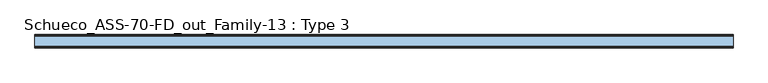
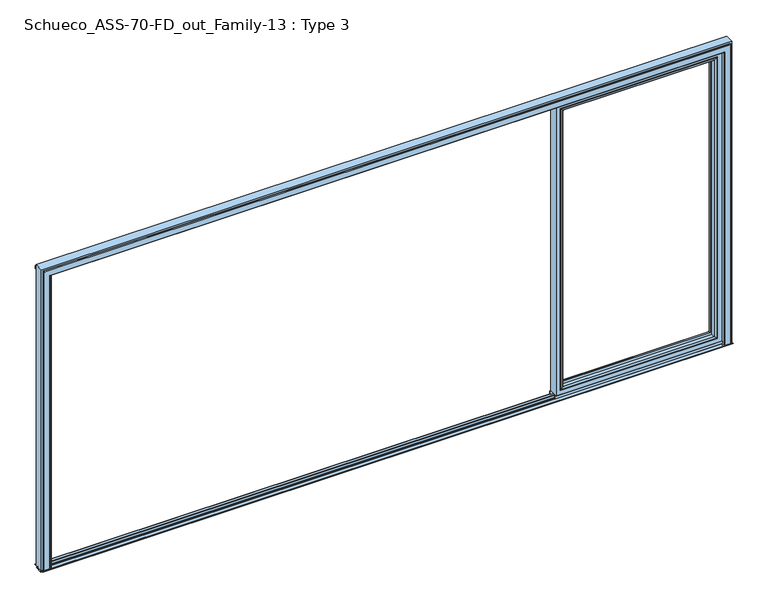
"""IFC4 building model written with IfcOpenShell, lengths in millimetres: window geometry, Schueco_ASS-70-FD_out_Family-13 : Type 3."""

from ifc_helpers import new_model, si_unit, point, frame, frame_2d, origin, place, context, project, spatial, polyline, circle_curve, ellipse_curve, trimmed, segment, composite_curve, outline, extrude, source, transform, mapped, element, save
from ifc_brep_helpers import plane_surface, cylinder_surface, advanced_brep


def schueco_ass_70_fd_out_family_13_type_3_62850d9b(model_context):
    return source(origin(), model_context, "Body", "SolidModel", [
        advanced_brep(
        [(1324.7245728, -64.5552044, 2283.0004272), (1324.7245728, -64.5552044, 91.4995728), (1324.7245728, -37.9928974, 91.4995728), (1324.7245728, -37.9928974, 2283.0004272), (1302.725, -37.9928974, 2305.0), (2480.8, -37.9928974, 2305.0), (2480.8, -37.9928974, 69.5), (1302.725, -37.9928974, 69.5), (2458.8004272, -37.9928974, 2283.0004272), (2458.8004272, -37.9928974, 91.4995728), (2458.8004272, -64.5552044, 91.4995728), (1324.0150293, -65.8045072, 2283.7099707), (1324.0150293, -65.8045072, 90.7900293), (2459.5099707, -65.8045072, 90.7900293), (1308.724939, -70.0, 2299.000061), (1308.724939, -70.0, 75.499939), (2474.800061, -70.0, 75.499939), (2480.8, -70.0, 2305.0), (1302.725, -70.0, 2305.0), (1302.725, -70.0, 69.5), (2480.8, -70.0, 69.5), (2474.800061, -70.0, 2299.000061), (2458.8004272, -64.5552044, 2283.0004272), (2459.5099707, -65.8045072, 2283.7099707)],
        [
            (0, 1),
            (1, 2),
            (2, 3),
            (3, 0),
            (4, 5),
            (5, 6),
            (6, 7),
            (7, 4),
            (8, 3),
            (2, 9),
            (9, 8),
            (1, 10),
            (10, 9),
            (11, 12),
            (12, 1, ellipse_curve(frame((1323.2699688, -64.5552044, 90.0449688), z_axis=(-0.7071067811865475, 0.0, 0.7071067811865475), x_axis=(0.7071067811865474, 0.0, 0.7071067811865476)), 2.0571207, 1.454604)),
            (0, 11, ellipse_curve(frame((1323.2699688, -64.5552044, 2284.4550312), z_axis=(-0.7071067811865475, 0.0, -0.7071067811865475), x_axis=(-0.7071067811865474, 0.0, 0.7071067811865476)), 2.0571207, 1.454604)),
            (12, 13),
            (13, 10, ellipse_curve(frame((2460.2550312, -64.5552044, 90.0449688), z_axis=(-0.7071067811865475, 0.0, -0.7071067811865475), x_axis=(-0.7071067811865476, 0.0, 0.7071067811865474)), 2.0571207, 1.454604)),
            (14, 15),
            (15, 12, ellipse_curve(frame((1308.7888746, -40.2735922, 75.5638746), z_axis=(-0.7071067811865475, 0.0, 0.7071067811865475), x_axis=(0.7071067811865474, 0.0, 0.7071067811865476)), 42.0395863, 29.7264765)),
            (11, 14, ellipse_curve(frame((1308.7888746, -40.2735922, 2298.9361254), z_axis=(-0.7071067811865475, 0.0, -0.7071067811865475), x_axis=(-0.7071067811865474, 0.0, 0.7071067811865476)), 42.0395863, 29.7264765)),
            (15, 16),
            (16, 13, ellipse_curve(frame((2474.7361254, -40.2735922, 75.5638746), z_axis=(-0.7071067811865475, 0.0, -0.7071067811865475), x_axis=(-0.7071067811865476, 0.0, 0.7071067811865474)), 42.0395863, 29.7264765)),
            (17, 18),
            (18, 19),
            (19, 20),
            (20, 17),
            (14, 21),
            (21, 16),
            (7, 19),
            (18, 4),
            (6, 20),
            (10, 22),
            (22, 8),
            (13, 23),
            (23, 22, ellipse_curve(frame((2460.2550312, -64.5552044, 2284.4550312), z_axis=(0.7071067811865475, 0.0, -0.7071067811865475), x_axis=(-0.7071067811865474, 0.0, -0.7071067811865476)), 2.0571207, 1.454604)),
            (21, 23, ellipse_curve(frame((2474.7361254, -40.2735922, 2298.9361254), z_axis=(0.7071067811865475, 0.0, -0.7071067811865475), x_axis=(-0.7071067811865474, 0.0, -0.7071067811865476)), 42.0395863, 29.7264765)),
            (5, 17),
            (22, 0),
            (23, 11),
        ],
        [
            plane_surface(frame((1324.7245728, -37.9928974, 2283.0004272), z_axis=(1.0, 0.0, 0.0), x_axis=(0.0, 0.0, -1.0))),
            plane_surface(frame((2480.8, -37.9928974, 69.5), z_axis=(0.0, 1.0, 0.0), x_axis=(0.0, 0.0, 1.0))),
            plane_surface(frame((1324.7245728, -37.9928974, 91.4995728), z_axis=(0.0, 0.0, 1.0), x_axis=(1.0, 0.0, 0.0))),
            cylinder_surface(frame((1323.2699688, -64.5552044, 2283.0004272), z_axis=(0.0, 0.0, 1.0), x_axis=(-1.0, 0.0, 0.0)), 1.454604),
            cylinder_surface(frame((1324.7245728, -64.5552044, 90.0449688), z_axis=(-1.0, 0.0, 0.0), x_axis=(0.0, 0.0, -1.0)), 1.454604),
            cylinder_surface(frame((1308.7888746, -40.2735922, 2283.0004272), z_axis=(0.0, 0.0, 1.0), x_axis=(-1.0, 0.0, 0.0)), 29.7264765),
            cylinder_surface(frame((1324.7245728, -40.2735922, 75.5638746), z_axis=(-1.0, 0.0, 0.0), x_axis=(0.0, 0.0, -1.0)), 29.7264765),
            plane_surface(frame((2474.800061, -70.0, 75.499939), z_axis=(0.0, -1.0, 0.0), x_axis=(0.0, 0.0, 1.0))),
            plane_surface(frame((1302.725, -70.0, 2305.0), z_axis=(-1.0, 0.0, 0.0), x_axis=(0.0, 0.0, -1.0))),
            plane_surface(frame((1302.725, -70.0, 69.5), z_axis=(0.0, 0.0, -1.0), x_axis=(1.0, 0.0, 0.0))),
            plane_surface(frame((2458.8004272, -37.9928974, 91.4995728), z_axis=(-1.0, 0.0, 0.0), x_axis=(0.0, 0.0, 1.0))),
            cylinder_surface(frame((2460.2550312, -64.5552044, 91.4995728), z_axis=(0.0, 0.0, -1.0), x_axis=(1.0, 0.0, 0.0)), 1.454604),
            cylinder_surface(frame((2474.7361254, -40.2735922, 91.4995728), z_axis=(0.0, 0.0, -1.0), x_axis=(1.0, 0.0, 0.0)), 29.7264765),
            plane_surface(frame((2480.8, -70.0, 69.5), z_axis=(1.0, 0.0, 0.0), x_axis=(0.0, 0.0, 1.0))),
            plane_surface(frame((2458.8004272, -37.9928974, 2283.0004272), z_axis=(0.0, 0.0, -1.0), x_axis=(-1.0, 0.0, 0.0))),
            cylinder_surface(frame((2458.8004272, -64.5552044, 2284.4550312), z_axis=(1.0, 0.0, 0.0), x_axis=(0.0, 0.0, 1.0)), 1.454604),
            cylinder_surface(frame((2458.8004272, -40.2735922, 2298.9361254), z_axis=(1.0, 0.0, 0.0), x_axis=(0.0, 0.0, 1.0)), 29.7264765),
            plane_surface(frame((2480.8, -70.0, 2305.0), z_axis=(0.0, 0.0, 1.0), x_axis=(-1.0, 0.0, 0.0))),
        ],
        [
            (0, [[1, 2, 3, 4]]),
            (1, [[5, 6, 7, 8], [9, -3, 10, 11]]),
            (2, [[12, 13, -10, -2]]),
            (3, [[14, 15, -1, 16]]),
            (4, [[17, 18, -12, -15]]),
            (5, [[19, 20, -14, 21]]),
            (6, [[22, 23, -17, -20]]),
            (7, [[24, 25, 26, 27], [28, 29, -22, -19]]),
            (8, [[-8, 30, -25, 31]]),
            (9, [[-7, 32, -26, -30]]),
            (10, [[33, 34, -11, -13]]),
            (11, [[35, 36, -33, -18]]),
            (12, [[-29, 37, -35, -23]]),
            (13, [[-6, 38, -27, -32]]),
            (14, [[39, -4, -9, -34]]),
            (15, [[40, -16, -39, -36]]),
            (16, [[-28, -21, -40, -37]]),
            (17, [[-5, -31, -24, -38]]),
        ],
    ),
        advanced_brep(
        [(2512.8, -70.0, 2337.0), (2512.8, -70.0, 37.5), (2512.8, 0.0, 37.5), (2512.8, 0.0, 2337.0), (1270.725, -70.0, 37.5), (1270.725, 0.0, 37.5), (1270.725, 0.0, 2337.0), (1320.2241901, 0.0, 86.9991901), (2463.3008099, 0.0, 86.9991901), (2463.3008099, 0.0, 2287.5008099), (1320.2241901, 0.0, 2287.5008099), (1270.725, -70.0, 2337.0), (2480.8, -70.0, 69.5), (1302.725, -70.0, 69.5), (1302.725, -70.0, 2305.0), (2480.8, -70.0, 2305.0), (2480.8, -13.999939, 2305.0), (2480.8, -13.999939, 69.5), (1302.725, -13.999939, 69.5), (1302.725, -13.999939, 2305.0), (2458.8004272, -13.999939, 91.4995728), (1324.7245728, -13.999939, 91.4995728), (1324.7245728, -13.999939, 2283.0004272), (2458.8004272, -13.999939, 2283.0004272), (2458.8004272, -4.5004435, 2283.0004272), (2458.8004272, -4.5004435, 91.4995728), (1324.7245728, -4.5004435, 91.4995728), (1324.7245728, -4.5004435, 2283.0004272)],
        [
            (0, 1),
            (1, 2),
            (2, 3),
            (3, 0),
            (1, 4),
            (4, 5),
            (5, 2),
            (5, 6),
            (6, 3),
            (7, 8),
            (8, 9),
            (9, 10),
            (10, 7),
            (4, 11),
            (11, 6),
            (0, 11),
            (12, 13),
            (13, 14),
            (14, 15),
            (15, 12),
            (16, 17),
            (17, 12),
            (15, 16),
            (17, 18),
            (18, 13),
            (18, 19),
            (19, 14),
            (16, 19),
            (20, 21),
            (21, 22),
            (22, 23),
            (23, 20),
            (24, 25),
            (25, 20),
            (23, 24),
            (25, 26),
            (26, 21),
            (26, 27),
            (27, 22),
            (7, 26, ellipse_curve(frame((1320.2241901, -4.5004435, 86.9991901), z_axis=(0.7071067811865475, 0.0, -0.7071067811865475), x_axis=(0.7071067811865476, 0.0, 0.7071067811865474)), 6.3645023, 4.5003827)),
            (25, 8, ellipse_curve(frame((2463.3008099, -4.5004435, 86.9991901), z_axis=(-0.7071067811865475, 0.0, -0.7071067811865475), x_axis=(0.7071067811865476, 0.0, -0.7071067811865474)), 6.3645023, 4.5003827)),
            (24, 9, ellipse_curve(frame((2463.3008099, -4.5004435, 2287.5008099), z_axis=(0.7071067811865475, 0.0, -0.7071067811865475), x_axis=(0.7071067811865474, 0.0, 0.7071067811865476)), 6.3645023, 4.5003827)),
            (10, 27, ellipse_curve(frame((1320.2241901, -4.5004435, 2287.5008099), z_axis=(-0.7071067811865475, 0.0, -0.7071067811865475), x_axis=(0.7071067811865474, 0.0, -0.7071067811865476)), 6.3645023, 4.5003827)),
            (27, 24),
        ],
        [
            plane_surface(frame((2512.8, 0.0, 2337.0), z_axis=(1.0, 0.0, 0.0), x_axis=(0.0, 0.0, -1.0))),
            plane_surface(frame((2512.8, 0.0, 37.5), z_axis=(0.0, 0.0, -1.0), x_axis=(-1.0, 0.0, 0.0))),
            plane_surface(frame((2463.3008099, 0.0, 2287.5008099), z_axis=(0.0, 1.0, 0.0), x_axis=(0.0, 0.0, -1.0))),
            plane_surface(frame((1270.725, 0.0, 37.5), z_axis=(-1.0, 0.0, 0.0), x_axis=(0.0, 0.0, 1.0))),
            plane_surface(frame((2512.8, -70.0, 2337.0), z_axis=(0.0, -1.0, 0.0), x_axis=(0.0, 0.0, -1.0))),
            plane_surface(frame((2480.8, -70.0, 2305.0), z_axis=(-1.0, 0.0, 0.0), x_axis=(0.0, 0.0, -1.0))),
            plane_surface(frame((2480.8, -70.0, 69.5), z_axis=(0.0, 0.0, 1.0), x_axis=(-1.0, 0.0, 0.0))),
            plane_surface(frame((1302.725, -70.0, 69.5), z_axis=(1.0, 0.0, 0.0), x_axis=(0.0, 0.0, 1.0))),
            plane_surface(frame((2480.8, -13.999939, 2305.0), z_axis=(0.0, -1.0, 0.0), x_axis=(0.0, 0.0, -1.0))),
            plane_surface(frame((2458.8004272, -13.999939, 2283.0004272), z_axis=(-1.0, 0.0, 0.0), x_axis=(0.0, 0.0, -1.0))),
            plane_surface(frame((2458.8004272, -13.999939, 91.4995728), z_axis=(0.0, 0.0, 1.0), x_axis=(-1.0, 0.0, 0.0))),
            plane_surface(frame((1324.7245728, -13.999939, 91.4995728), z_axis=(1.0, 0.0, 0.0), x_axis=(0.0, 0.0, 1.0))),
            cylinder_surface(frame((2518.8, -4.5004435, 86.9991901), z_axis=(1.0, 0.0, 0.0), x_axis=(0.0, -1.0, 0.0)), 4.5003827),
            cylinder_surface(frame((2463.3008099, -4.5004435, 2343.0), z_axis=(0.0, 0.0, 1.0), x_axis=(0.0, -1.0, 0.0)), 4.5003827),
            cylinder_surface(frame((1320.2241901, -4.5004435, 31.5), z_axis=(0.0, 0.0, -1.0), x_axis=(0.0, -1.0, 0.0)), 4.5003827),
            plane_surface(frame((1270.725, 0.0, 2337.0), z_axis=(0.0, 0.0, 1.0), x_axis=(1.0, 0.0, 0.0))),
            plane_surface(frame((1302.725, -70.0, 2305.0), z_axis=(0.0, 0.0, -1.0), x_axis=(1.0, 0.0, 0.0))),
            plane_surface(frame((1324.7245728, -13.999939, 2283.0004272), z_axis=(0.0, 0.0, -1.0), x_axis=(1.0, 0.0, 0.0))),
            cylinder_surface(frame((1264.725, -4.5004435, 2287.5008099), z_axis=(-1.0, 0.0, 0.0), x_axis=(0.0, -1.0, 0.0)), 4.5003827),
        ],
        [
            (0, [[1, 2, 3, 4]]),
            (1, [[5, 6, 7, -2]]),
            (2, [[-7, 8, 9, -3], [10, 11, 12, 13]]),
            (3, [[14, 15, -8, -6]]),
            (4, [[-5, -1, 16, -14], [17, 18, 19, 20]]),
            (5, [[21, 22, -20, 23]]),
            (6, [[24, 25, -17, -22]]),
            (7, [[26, 27, -18, -25]]),
            (8, [[-24, -21, 28, -26], [29, 30, 31, 32]]),
            (9, [[33, 34, -32, 35]]),
            (10, [[36, 37, -29, -34]]),
            (11, [[38, 39, -30, -37]]),
            (12, [[-10, 40, -36, 41]]),
            (13, [[-11, -41, -33, 42]]),
            (14, [[-13, 43, -38, -40]]),
            (15, [[-16, -4, -9, -15]]),
            (16, [[-28, -23, -19, -27]]),
            (17, [[44, -35, -31, -39]]),
            (18, [[-12, -42, -44, -43]]),
        ],
    ),
        extrude(outline(polyline([(2518.8, -7.6000076), (1264.725, -7.6000076), (1264.725, 0.0), (2518.8, 0.0), (2518.8, -7.6000076)])), frame((0.0, 0.0, 15.4995117), z_axis=(0.0, 0.0, 1.0), x_axis=(1.0, 0.0, 0.0)), (0.0, 0.0, 1.0), 22.0004883),
        extrude(outline(polyline([(2518.8, -70.0), (1264.725, -70.0), (1264.725, -62.2757497), (2518.8, -62.2757497), (2518.8, -70.0)])), frame((0.0, 0.0, 15.4995117), z_axis=(0.0, 0.0, 1.0), x_axis=(1.0, 0.0, 0.0)), (0.0, 0.0, 1.0), 22.0004883),
        extrude(outline(composite_curve([segment(polyline([(-17.955674, 2339.1400778), (-1.3636404, 2339.1400778), (0.0, 2342.963961), (0.0, 2348.6420698), (0.8937897, 2348.6420698), (1.8738669, 2344.9939222)]), True, "CONTINUOUS"), segment(trimmed(circle_curve(frame_2d((-0.0576456, 2344.4750201)), 2.0), [point((1.8738669, 2344.9939222))], [point((1.8735116, 2343.9547971))], False, "CARTESIAN"), True, "CONTINUOUS"), segment(polyline([(1.8735116, 2343.9547971), (0.0, 2337.0), (-17.955674, 2337.0), (-17.955674, 2339.1400778)]), True, "CONTINUOUS")], self_intersect=False)), frame((1264.725, 0.0, 0.0), z_axis=(1.0, 0.0, 0.0), x_axis=(0.0, 1.0, 0.0)), (0.0, 0.0, 1.0), 1254.075),
        advanced_brep(
        [(2545.0, -3.5000916, 0.0), (2540.0003662, -3.5000916, 0.0), (2540.0003662, -3.5000916, 2345.0), (2545.0, -3.5000916, 2345.0), (-2530.0000916, -70.0, 0.0), (-2516.5, -70.0, 0.0), (-2516.5, -70.0, 2330.0000916), (-2530.0000916, -70.0, 2330.0000916), (2577.999939, -70.0, 0.0), (2590.0, -70.0, 0.0), (2590.0, -70.0, 2390.0), (-2590.0, -70.0, 2390.0), (-2590.0, -70.0, 0.0), (-2577.999939, -70.0, 0.0), (-2577.999939, -70.0, 2377.999939), (2577.999939, -70.0, 2377.999939), (2518.8, -70.0, 0.0), (2530.0000916, -70.0, 0.0), (2530.0000916, -70.0, 2330.0000916), (2518.8, -70.0, 2330.0000916), (-2540.0003662, -3.5000916, 0.0), (-2545.0, -3.5000916, 0.0), (-2545.0, -3.5000916, 2345.0), (-2540.0003662, -3.5000916, 2345.0), (-2516.5, 0.0, 0.0), (-2516.5, 0.0, 2345.0), (-2516.5, -3.5, 2345.0), (-2516.5, -3.5, 2365.9997864), (-2516.5, -14.1500244, 2365.9997864), (-2516.5, -14.1500244, 2349.000061), (-2516.5, -23.75, 2349.000061), (-2516.5, -23.75, 2365.9997864), (-2516.5, -46.2499161, 2365.9997864), (-2516.5, -46.2499161, 2349.000061), (-2516.5, -55.8498688, 2349.000061), (-2516.5, -55.8498688, 2365.9997864), (-2516.5, -70.0, 2365.9997864), (2518.8, 0.0, 0.0), (2518.8, -70.0, 2365.9997864), (2518.8, -55.8498688, 2365.9997864), (2518.8, -55.8498688, 2349.000061), (2518.8, -46.2499161, 2349.000061), (2518.8, -46.2499161, 2365.9997864), (2518.8, -23.75, 2365.9997864), (2518.8, -23.75, 2349.000061), (2518.8, -14.1500244, 2349.000061), (2518.8, -14.1500244, 2365.9997864), (2518.8, -3.5, 2365.9997864), (2518.8, -3.5, 2345.0), (2518.8, 0.0, 2345.0), (2540.0003662, 0.0, 0.0), (2540.0003662, 0.0, 2345.0), (-2540.0003662, 0.0, 0.0), (-2540.0003662, 0.0, 2345.0), (-2530.0000916, -77.4999847, 0.0), (-2532.5000916, -79.9999847, 0.0), (-2573.499939, -79.9999847, 0.0), (-2577.999939, -75.4999847, 0.0), (-2590.0, 0.0, 0.0), (-2545.0, 0.0, 0.0), (2590.0, 0.0, 0.0), (2545.0, 0.0, 0.0), (2545.0, 0.0, 2345.0), (-2545.0, 0.0, 2345.0), (-2590.0, 0.0, 2390.0), (2590.0, 0.0, 2390.0), (-2530.0000916, -77.4999847, 2330.0000916), (-2532.5000916, -79.9999847, 2332.5000916), (2532.5000916, -79.9999847, 0.0), (2573.499939, -79.9999847, 0.0), (2573.499939, -79.9999847, 2373.499939), (-2573.499939, -79.9999847, 2373.499939), (2532.5000916, -79.9999847, 2332.5000916), (-2577.999939, -75.4999847, 2377.999939), (2577.999939, -75.4999847, 0.0), (2530.0000916, -77.4999847, 0.0), (2577.999939, -75.4999847, 2377.999939), (2530.0000916, -77.4999847, 2330.0000916)],
        [
            (0, 1),
            (1, 2),
            (2, 3),
            (3, 0),
            (4, 5),
            (5, 6),
            (6, 7),
            (7, 4),
            (8, 9),
            (9, 10),
            (10, 11),
            (11, 12),
            (12, 13),
            (13, 14),
            (14, 15),
            (15, 8),
            (16, 17),
            (17, 18),
            (18, 19),
            (19, 16),
            (20, 21),
            (21, 22),
            (22, 23),
            (23, 20),
            (5, 24),
            (24, 25),
            (25, 26),
            (26, 27),
            (27, 28),
            (28, 29),
            (29, 30),
            (30, 31),
            (31, 32),
            (32, 33),
            (33, 34),
            (34, 35),
            (35, 36),
            (36, 6),
            (37, 16),
            (19, 38),
            (38, 39),
            (39, 40),
            (40, 41),
            (41, 42),
            (42, 43),
            (43, 44),
            (44, 45),
            (45, 46),
            (46, 47),
            (47, 48),
            (48, 49),
            (49, 37),
            (1, 50),
            (50, 51),
            (51, 2),
            (52, 20),
            (23, 53),
            (53, 52),
            (52, 24),
            (4, 54),
            (54, 55, circle_curve(frame((-2532.5000916, -77.4999847, 0.0), z_axis=(0.0, 0.0, -1.0), x_axis=(1.0, 0.0, 0.0)), 2.5)),
            (55, 56),
            (56, 57, circle_curve(frame((-2573.499939, -75.4999847, 0.0), z_axis=(0.0, 0.0, -1.0), x_axis=(1.0, 0.0, 0.0)), 4.5)),
            (57, 13),
            (12, 58),
            (58, 59),
            (59, 21),
            (60, 61),
            (61, 62),
            (62, 51),
            (50, 37),
            (49, 25),
            (53, 63),
            (63, 59),
            (58, 64),
            (64, 65),
            (65, 60),
            (7, 66),
            (66, 54),
            (66, 67, ellipse_curve(frame((-2532.5000916, -77.4999847, 2332.5000916), z_axis=(-0.7071067811865475, 0.0, -0.7071067811865475), x_axis=(-0.7071067811865474, 0.0, 0.7071067811865476)), 3.5355339, 2.5)),
            (67, 55),
            (68, 69),
            (69, 70),
            (70, 71),
            (71, 56),
            (67, 72),
            (72, 68),
            (71, 73, ellipse_curve(frame((-2573.499939, -75.4999847, 2373.499939), z_axis=(-0.7071067811865475, 0.0, -0.7071067811865475), x_axis=(-0.7071067811865474, 0.0, 0.7071067811865476)), 6.363961, 4.5)),
            (73, 57),
            (73, 14),
            (11, 64),
            (63, 22),
            (0, 61),
            (60, 9),
            (8, 74),
            (74, 69, circle_curve(frame((2573.499939, -75.4999847, 0.0), z_axis=(0.0, 0.0, -1.0), x_axis=(-1.0, 0.0, 0.0)), 4.5)),
            (68, 75, circle_curve(frame((2532.5000916, -77.4999847, 0.0), z_axis=(0.0, 0.0, -1.0), x_axis=(-1.0, 0.0, 0.0)), 2.5)),
            (75, 17),
            (3, 62),
            (65, 10),
            (15, 76),
            (76, 74),
            (76, 70, ellipse_curve(frame((2573.499939, -75.4999847, 2373.499939), z_axis=(0.7071067811865475, 0.0, -0.7071067811865475), x_axis=(-0.7071067811865474, 0.0, -0.7071067811865476)), 6.363961, 4.5)),
            (72, 77, ellipse_curve(frame((2532.5000916, -77.4999847, 2332.5000916), z_axis=(0.7071067811865475, 0.0, -0.7071067811865475), x_axis=(-0.7071067811865474, 0.0, -0.7071067811865476)), 3.5355339, 2.5)),
            (77, 75),
            (77, 18),
            (19, 6),
            (36, 38),
            (39, 35),
            (34, 40),
            (41, 33),
            (32, 42),
            (43, 31),
            (30, 44),
            (45, 29),
            (28, 46),
            (47, 27),
            (26, 48),
            (73, 76),
            (66, 77),
        ],
        [
            plane_surface(frame((2565.9997864, -3.5000916, 2390.0), z_axis=(0.0, 1.0, 0.0), x_axis=(0.0, 0.0, -1.0))),
            plane_surface(frame((-2565.9997864, -70.0, 2390.0), z_axis=(0.0, -1.0, 0.0), x_axis=(0.0, 0.0, -1.0))),
            plane_surface(frame((-2540.0003662, -3.5000916, 2390.0), z_axis=(0.0, 1.0, 0.0), x_axis=(0.0, 0.0, -1.0))),
            plane_surface(frame((-2516.5, -70.0, 2390.0), z_axis=(1.0, 0.0, 0.0), x_axis=(0.0, 0.0, -1.0))),
            plane_surface(frame((2518.8, 0.0, 2390.0), z_axis=(-1.0, 0.0, 0.0), x_axis=(0.0, 0.0, -1.0))),
            plane_surface(frame((2540.0003662, -3.5000916, 2390.0), z_axis=(1.0, 0.0, 0.0), x_axis=(0.0, 0.0, -1.0))),
            plane_surface(frame((-2540.0003662, 0.0, 2390.0), z_axis=(-1.0, 0.0, 0.0), x_axis=(0.0, 0.0, -1.0))),
            plane_surface(frame((-2590.0, -70.0, 0.0), z_axis=(0.0, 0.0, -1.0), x_axis=(0.0, -1.0, 0.0))),
            plane_surface(frame((-2516.5, 0.0, 2390.0), z_axis=(0.0, 1.0, 0.0), x_axis=(0.0, 0.0, -1.0))),
            plane_surface(frame((-2530.0000916, -77.4999847, 2330.0000916), z_axis=(1.0, 0.0, 0.0), x_axis=(0.0, 0.0, -1.0))),
            cylinder_surface(frame((-2532.5000916, -77.4999847, 2390.0), z_axis=(0.0, 0.0, 1.0), x_axis=(1.0, 0.0, 0.0)), 2.5),
            plane_surface(frame((2573.499939, -79.9999847, 0.0), z_axis=(0.0, -1.0, 0.0), x_axis=(0.0, 0.0, 1.0))),
            cylinder_surface(frame((-2573.499939, -75.4999847, 2390.0), z_axis=(0.0, 0.0, 1.0), x_axis=(1.0, 0.0, 0.0)), 4.5),
            plane_surface(frame((-2577.999939, -70.0, 2377.999939), z_axis=(-1.0, 0.0, 0.0), x_axis=(0.0, 0.0, -1.0))),
            plane_surface(frame((-2590.0, 0.0, 2390.0), z_axis=(-1.0, 0.0, 0.0), x_axis=(0.0, 0.0, -1.0))),
            plane_surface(frame((-2545.0, -3.5, 2345.0), z_axis=(1.0, 0.0, 0.0), x_axis=(0.0, 0.0, -1.0))),
            plane_surface(frame((2590.0, -70.0, 0.0), z_axis=(0.0, 0.0, -1.0), x_axis=(0.0, -1.0, 0.0))),
            plane_surface(frame((2545.0, -3.5, 0.0), z_axis=(-1.0, 0.0, 0.0), x_axis=(0.0, 0.0, 1.0))),
            plane_surface(frame((2590.0, 0.0, 0.0), z_axis=(1.0, 0.0, 0.0), x_axis=(0.0, 0.0, 1.0))),
            plane_surface(frame((2577.999939, -70.0, 0.0), z_axis=(1.0, 0.0, 0.0), x_axis=(0.0, 0.0, 1.0))),
            cylinder_surface(frame((2573.499939, -75.4999847, 0.0), z_axis=(0.0, 0.0, -1.0), x_axis=(-1.0, 0.0, 0.0)), 4.5),
            cylinder_surface(frame((2532.5000916, -77.4999847, 0.0), z_axis=(0.0, 0.0, -1.0), x_axis=(-1.0, 0.0, 0.0)), 2.5),
            plane_surface(frame((2530.0000916, -77.4999847, 0.0), z_axis=(-1.0, 0.0, 0.0), x_axis=(0.0, 0.0, 1.0))),
            plane_surface(frame((-2590.0, -70.0, 2390.0), z_axis=(0.0, 0.0, 1.0), x_axis=(0.0, -1.0, 0.0))),
            plane_surface(frame((2530.0000916, -70.0, 0.0), z_axis=(0.0, 1.0, 0.0), x_axis=(0.0, 0.0, 1.0))),
            plane_surface(frame((2565.9997864, -55.8498688, 0.0), z_axis=(0.0, -1.0, 0.0), x_axis=(0.0, 0.0, 1.0))),
            plane_surface(frame((2549.000061, -46.2499161, 0.0), z_axis=(0.0, 1.0, 0.0), x_axis=(0.0, 0.0, 1.0))),
            plane_surface(frame((2565.9997864, -23.75, 0.0), z_axis=(0.0, -1.0, 0.0), x_axis=(0.0, 0.0, 1.0))),
            plane_surface(frame((2549.000061, -14.1500244, 0.0), z_axis=(0.0, 1.0, 0.0), x_axis=(0.0, 0.0, 1.0))),
            plane_surface(frame((2565.9997864, -3.5, 0.0), z_axis=(0.0, -1.0, 0.0), x_axis=(0.0, 0.0, 1.0))),
            plane_surface(frame((2577.999939, -70.0, 2377.999939), z_axis=(0.0, 0.0, 1.0), x_axis=(-1.0, 0.0, 0.0))),
            cylinder_surface(frame((2590.0, -75.4999847, 2373.499939), z_axis=(1.0, 0.0, 0.0), x_axis=(0.0, 0.0, -1.0)), 4.5),
            cylinder_surface(frame((2590.0, -77.4999847, 2332.5000916), z_axis=(1.0, 0.0, 0.0), x_axis=(0.0, 0.0, -1.0)), 2.5),
            plane_surface(frame((2530.0000916, -77.4999847, 2330.0000916), z_axis=(0.0, 0.0, -1.0), x_axis=(-1.0, 0.0, 0.0))),
            plane_surface(frame((2565.9997864, -70.0, 2365.9997864), z_axis=(0.0, 0.0, -1.0), x_axis=(-1.0, 0.0, 0.0))),
            plane_surface(frame((2549.000061, -55.8498688, 2349.000061), z_axis=(0.0, 0.0, -1.0), x_axis=(-1.0, 0.0, 0.0))),
            plane_surface(frame((2565.9997864, -46.2499161, 2365.9997864), z_axis=(0.0, 0.0, -1.0), x_axis=(-1.0, 0.0, 0.0))),
            plane_surface(frame((2549.000061, -23.75, 2349.000061), z_axis=(0.0, 0.0, -1.0), x_axis=(-1.0, 0.0, 0.0))),
            plane_surface(frame((2565.9997864, -14.1500244, 2365.9997864), z_axis=(0.0, 0.0, -1.0), x_axis=(-1.0, 0.0, 0.0))),
            plane_surface(frame((2545.0, -3.5, 2345.0), z_axis=(0.0, 0.0, -1.0), x_axis=(-1.0, 0.0, 0.0))),
        ],
        [
            (0, [[1, 2, 3, 4]]),
            (1, [[5, 6, 7, 8]]),
            (1, [[9, 10, 11, 12, 13, 14, 15, 16]]),
            (1, [[17, 18, 19, 20]]),
            (2, [[21, 22, 23, 24]]),
            (3, [[25, 26, 27, 28, 29, 30, 31, 32, 33, 34, 35, 36, 37, 38, -6]]),
            (4, [[39, -20, 40, 41, 42, 43, 44, 45, 46, 47, 48, 49, 50, 51, 52]]),
            (5, [[53, 54, 55, -2]]),
            (6, [[56, -24, 57, 58]]),
            (7, [[59, -25, -5, 60, 61, 62, 63, 64, -13, 65, 66, 67, -21, -56]]),
            (8, [[68, 69, 70, -54, 71, -52, 72, -26, -59, -58, 73, 74, -66, 75, 76, 77]]),
            (9, [[-60, -8, 78, 79]]),
            (10, [[-61, -79, 80, 81]]),
            (11, [[82, 83, 84, 85, -62, -81, 86, 87]]),
            (12, [[-63, -85, 88, 89]]),
            (13, [[-64, -89, 90, -14]]),
            (14, [[-65, -12, 91, -75]]),
            (15, [[-67, -74, 92, -22]]),
            (16, [[-53, -1, 93, -68, 94, -9, 95, 96, -82, 97, 98, -17, -39, -71]]),
            (17, [[-93, -4, 99, -69]]),
            (18, [[-94, -77, 100, -10]]),
            (19, [[-95, -16, 101, 102]]),
            (20, [[-96, -102, 103, -83]]),
            (21, [[-97, -87, 104, 105]]),
            (22, [[-98, -105, 106, -18]]),
            (23, [[-100, -76, -91, -11]]),
            (24, [[107, -38, 108, -40]]),
            (25, [[109, -36, 110, -42]]),
            (26, [[111, -34, 112, -44]]),
            (27, [[113, -32, 114, -46]]),
            (28, [[115, -30, 116, -48]]),
            (29, [[117, -28, 118, -50]]),
            (30, [[-101, -15, -90, 119]]),
            (31, [[-103, -119, -88, -84]]),
            (32, [[-86, -80, 120, -104]]),
            (33, [[-106, -120, -78, -7, -107, -19]]),
            (34, [[-108, -37, -109, -41]]),
            (35, [[-111, -43, -110, -35]]),
            (36, [[-113, -45, -112, -33]]),
            (37, [[-115, -47, -114, -31]]),
            (38, [[-117, -49, -116, -29]]),
            (39, [[-72, -51, -118, -27]]),
            (39, [[-99, -3, -55, -70]]),
            (39, [[-92, -73, -57, -23]]),
        ],
    ),
        extrude(outline(polyline([(7.7224991, 2377.8134468), (7.7224991, 2353.0010125), (0.0, 2353.0010125), (0.0, 2382.2763596), (7.7224991, 2377.8134468)])), frame((-2590.0, 0.0, 0.0), z_axis=(1.0, 0.0, 0.0), x_axis=(0.0, 1.0, 0.0)), (0.0, 0.0, 1.0), 5180.0),
        extrude(outline(polyline([(15.0, 1.0391775), (15.0, 0.0), (-6.000061, 0.0), (-6.000061, -12.4999924), (-64.000061, -12.4999924), (-64.000061, 0.0), (-85.0000807, 0.0), (-85.0000807, 1.0392014), (-80.7379205, 3.4999924), (-53.5502106, 3.4999924), (-53.5502106, 7.1000061), (-46.250061, 7.1000061), (-46.250061, -8.6999969), (-23.750061, -8.6999969), (-23.750061, 7.1000061), (-16.4499115, 7.1000061), (-16.4499115, 3.5000076), (10.737772, 3.5000076), (15.0, 1.0391775)])), frame((-2590.0, 0.0, 0.0), z_axis=(1.0, 0.0, 0.0), x_axis=(0.0, 1.0, 0.0)), (0.0, 0.0, 1.0), 5180.0),
    ])


if __name__ == "__main__":
    model = new_model("IFC4")
    model_context = context("Model", 3, world=origin())
    ifc_project = project(units=[si_unit("LENGTHUNIT", "METRE", prefix="MILLI")], contexts=[model_context])
    site = spatial("IfcSite", under=ifc_project)
    building = spatial("IfcBuilding", under=site)
    placement = place(None, origin())
    schueco_ass_70_fd_out_family_13_type_3_shape = schueco_ass_70_fd_out_family_13_type_3_62850d9b(model_context)
    element("IfcWindow", 1, ObjectType="Schueco_ASS-70-FD_out_Family-13 : Type 3", at=placement, inside=building, context=model_context, shape_type="MappedRepresentation", body=[
        mapped(schueco_ass_70_fd_out_family_13_type_3_shape, transform((0.0, 0.0, 0.0), x_axis=(1.0, 0.0, 0.0), y_axis=(0.0, 1.0, 0.0), z_axis=(0.0, 0.0, 1.0))),
    ])
    save(model, "model.ifc")
